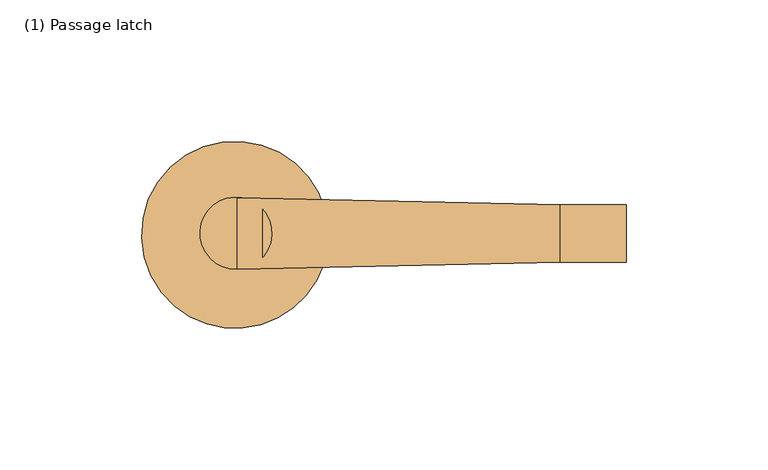
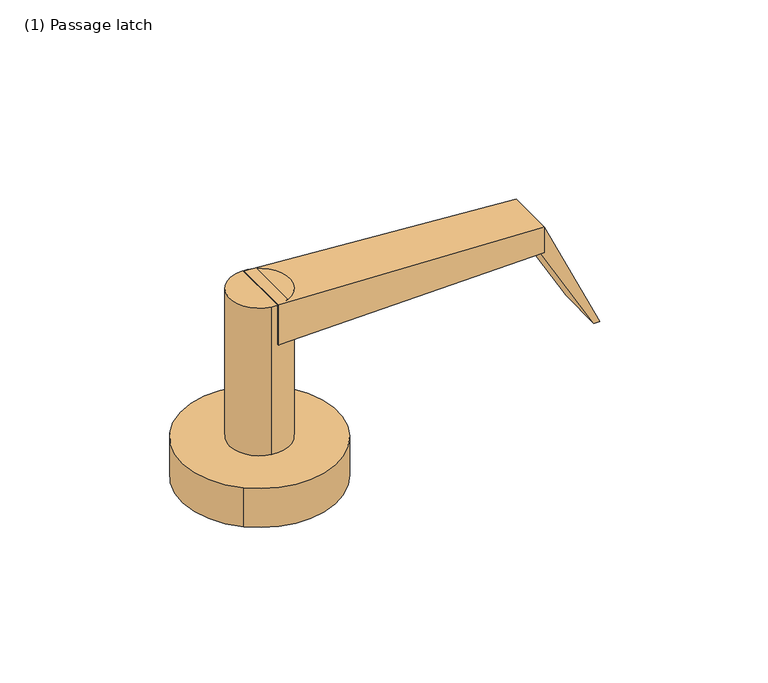
"""IFC4 building model written with IfcOpenShell, lengths in millimetres: door geometry, (1) Passage latch."""

import ifcopenshell
import ifcopenshell.guid

model = None  # the IFC model being written
_history = None  # IfcOwnerHistory: only IFC2X3 demands one
_inside = {}  # id of a spatial element -> (the spatial element, [elements in it])
_under = {}  # id of a project, library or spatial element -> (it, [spatial elements below it])
_declared = {}  # id of a project -> (the project, [libraries it declares])
_typed = {}  # id of a type object -> (the type object, [elements of that type])
_made_of = {}  # id of a material, layer set ... -> (it, [elements and type objects made of it])


def new_model(schema):
    """Start an empty IFC model of exactly this schema.

    Asked for "IFC4X3", IfcOpenShell would pick the latest addendum, in which some entities
    have other attributes; the version numbers below select the first issue.
    IFC2X3 requires an IfcOwnerHistory on every rooted entity: one is made here for all.
    """
    global model, _history
    if schema == "IFC4X3":
        model = ifcopenshell.file(schema_version=(4, 3, 0, 0))
    else:
        model = ifcopenshell.file(schema=schema)
    _inside.clear()
    _under.clear()
    _declared.clear()
    _typed.clear()
    _made_of.clear()
    _history = None
    if model.schema == "IFC2X3":
        org = make("IfcOrganization", Name="unknown")
        user = make(
            "IfcPersonAndOrganization",
            ThePerson=make("IfcPerson", FamilyName="unknown"),
            TheOrganization=org,
        )
        app = make(
            "IfcApplication",
            ApplicationDeveloper=org,
            Version="unknown",
            ApplicationFullName="unknown",
            ApplicationIdentifier="unknown",
        )
        _history = make(
            "IfcOwnerHistory",
            OwningUser=user,
            OwningApplication=app,
            ChangeAction="ADDED",
            CreationDate=0,
        )
    return model


def make(cls, **values):
    """One entity of the class cls with the attributes given. An attribute that is None is left unset."""
    return model.create_entity(
        cls, **{name: value for name, value in values.items() if value is not None}
    )


def rooted(cls, **values):
    """An entity with a GlobalId (a new one), such as an element, a storey or a relation."""
    return make(cls, GlobalId=ifcopenshell.guid.new(), OwnerHistory=_history, **values)


def si_unit(unit_type, name, prefix=None):
    """IfcSIUnit, for example si_unit("LENGTHUNIT", "METRE", prefix="MILLI")."""
    return make("IfcSIUnit", UnitType=unit_type, Prefix=prefix, Name=name)


def assignment(units):
    """IfcUnitAssignment: the units of a project."""
    return None if units is None else make("IfcUnitAssignment", Units=units)


def point(xyz):
    """IfcCartesianPoint."""
    return None if xyz is None else make("IfcCartesianPoint", Coordinates=xyz)


def direction(xyz):
    """IfcDirection."""
    return None if xyz is None else make("IfcDirection", DirectionRatios=xyz)


def frame(location, z_axis=None, x_axis=None):
    """IfcAxis2Placement3D, a coordinate frame: its origin and axes. An axis left out is left unset."""
    return make(
        "IfcAxis2Placement3D",
        Location=point(location),
        Axis=direction(z_axis),
        RefDirection=direction(x_axis),
    )


def frame_2d(location, x_axis=None):
    """IfcAxis2Placement2D, a coordinate frame in the plane: its origin and x axis."""
    return make(
        "IfcAxis2Placement2D", Location=point(location), RefDirection=direction(x_axis)
    )


def origin():
    """The frame at (0, 0, 0) with its axes left unset."""
    return frame((0.0, 0.0, 0.0))


def origin_with_axes():
    """The frame at (0, 0, 0) with the z axis (0, 0, 1) and the x axis (1, 0, 0) written out."""
    return frame((0.0, 0.0, 0.0), z_axis=(0.0, 0.0, 1.0), x_axis=(1.0, 0.0, 0.0))


def place(relative_to, where):
    """IfcLocalPlacement: puts the frame where relative to a parent placement (None: the world)."""
    return make(
        "IfcLocalPlacement", PlacementRelTo=relative_to, RelativePlacement=where
    )


def context(
    kind, dimensions, precision=None, world=None, true_north=None, identifier=None
):
    """IfcGeometricRepresentationContext, for example the 3D "Model" context."""
    return make(
        "IfcGeometricRepresentationContext",
        ContextIdentifier=identifier,
        ContextType=kind,
        CoordinateSpaceDimension=dimensions,
        Precision=precision,
        WorldCoordinateSystem=world,
        TrueNorth=true_north,
    )


def project(units=None, contexts=None):
    """IfcProject with its units and contexts."""
    return rooted(
        "IfcProject",
        Name="project",
        RepresentationContexts=contexts,
        UnitsInContext=assignment(units),
    )


def spatial(cls, under=None, at=None, **own):
    """A site, building, storey or space (cls), placed at a placement, below another one or the project."""
    s = rooted(cls, ObjectPlacement=at, **own)
    if under is not None:
        _under.setdefault(under.id(), (under, []))[1].append(s)
    return s


def polyline(points):
    """IfcPolyline through the points."""
    return make("IfcPolyline", Points=[point(p) for p in points])


def circle_curve(where, radius):
    """IfcCircle in the frame where."""
    return make("IfcCircle", Position=where, Radius=radius)


def trimmed(basis, trim1, trim2, sense, master):
    """IfcTrimmedCurve: the piece of a basis curve between two trims."""
    return make(
        "IfcTrimmedCurve",
        BasisCurve=basis,
        Trim1=trim1,
        Trim2=trim2,
        SenseAgreement=sense,
        MasterRepresentation=master,
    )


def segment(curve, same_sense, transition):
    """IfcCompositeCurveSegment."""
    return make(
        "IfcCompositeCurveSegment",
        Transition=transition,
        SameSense=same_sense,
        ParentCurve=curve,
    )


def composite_curve(segments, self_intersect=None):
    """IfcCompositeCurve: segments joined end to end."""
    return make("IfcCompositeCurve", Segments=segments, SelfIntersect=self_intersect)


def outline(outer, holes=None, kind="AREA"):
    """IfcArbitraryClosedProfileDef: a profile drawn as a closed curve; with holes, ...WithVoids."""
    if holes is None:
        return make("IfcArbitraryClosedProfileDef", ProfileType=kind, OuterCurve=outer)
    return make(
        "IfcArbitraryProfileDefWithVoids",
        ProfileType=kind,
        OuterCurve=outer,
        InnerCurves=holes,
    )


def extrude(swept, where, along, depth):
    """IfcExtrudedAreaSolid: the profile swept, set in the frame where, extruded along a direction by depth."""
    return make(
        "IfcExtrudedAreaSolid",
        SweptArea=swept,
        Position=where,
        ExtrudedDirection=direction(along),
        Depth=depth,
    )


def shape(context_of_items, identifier, shape_type, items):
    """IfcShapeRepresentation: the items that make up one representation, for example the "Body"."""
    return make(
        "IfcShapeRepresentation",
        ContextOfItems=context_of_items,
        RepresentationIdentifier=identifier,
        RepresentationType=shape_type,
        Items=items,
    )


def source(mapping_origin, context_of_items, identifier, shape_type, items):
    """IfcRepresentationMap: a shape defined once, which mapped items show again and again."""
    return make(
        "IfcRepresentationMap",
        MappingOrigin=mapping_origin,
        MappedRepresentation=shape(context_of_items, identifier, shape_type, items),
    )


def transform(
    local_origin,
    x_axis=None,
    y_axis=None,
    z_axis=None,
    scale=None,
    scale2=None,
    scale3=None,
    uniform=True,
):
    """IfcCartesianTransformationOperator3D, or its non-uniform kind. x_axis, y_axis, z_axis: its Axis1, 2, 3."""
    if uniform:
        return make(
            "IfcCartesianTransformationOperator3D",
            Axis1=direction(x_axis),
            Axis2=direction(y_axis),
            LocalOrigin=point(local_origin),
            Scale=scale,
            Axis3=direction(z_axis),
        )
    return make(
        "IfcCartesianTransformationOperator3DnonUniform",
        Axis1=direction(x_axis),
        Axis2=direction(y_axis),
        LocalOrigin=point(local_origin),
        Scale=scale,
        Axis3=direction(z_axis),
        Scale2=scale2,
        Scale3=scale3,
    )


def mapped(mapping_source, mapping_target):
    """IfcMappedItem: shows the shape of a source again, moved by a transform."""
    return make(
        "IfcMappedItem", MappingSource=mapping_source, MappingTarget=mapping_target
    )


def made_of(thing, what):
    """Note that an element or type object is made of a material, layer set ...; save() writes the relation."""
    if what is not None:
        _made_of.setdefault(what.id(), (what, []))[1].append(thing)
    return thing


def element(
    cls,
    number,
    at=None,
    inside=None,
    cuts=None,
    type_object=None,
    material=None,
    context=None,
    identifier="Body",
    shape_type=None,
    held_by="IfcProductDefinitionShape",
    body=None,
    shapes=None,
    **own,
):
    """One element of the class cls, such as IfcWall. Its Tag is "e" and its number.

    at: its placement. inside: the storey or other place that contains it. cuts: it is an
    opening in that element (IfcRelVoidsElement). A single representation is given by context,
    identifier, shape_type and body (its items); several are given by shapes. held_by: the class
    of the entity that holds the representations. save() writes the other relations.
    """
    e = rooted(cls, Tag="e%d" % number, ObjectPlacement=at, **own)
    if body is not None:
        shapes = [shape(context, identifier, shape_type, body)]
    if shapes is not None:
        e.Representation = make(held_by, Representations=shapes)
    if inside is not None:
        _inside.setdefault(inside.id(), (inside, []))[1].append(e)
    if cuts is not None:
        rooted(
            "IfcRelVoidsElement", RelatingBuildingElement=cuts, RelatedOpeningElement=e
        )
    if type_object is not None:
        _typed.setdefault(type_object.id(), (type_object, []))[1].append(e)
    return made_of(e, material)


def aggregate(whole, parts):
    """IfcRelAggregates: a whole, such as a stair, and the parts it consists of."""
    return rooted("IfcRelAggregates", RelatingObject=whole, RelatedObjects=parts)


def save(model, path):
    """Write the relations noted so far, then the file.

    IfcRelAggregates (storeys below a building ...), IfcRelContainedInSpatialStructure (elements
    in a storey), IfcRelDefinesByType, IfcRelAssociatesMaterial and IfcRelDeclares: one each for
    every whole, place, type object, material and project.
    """
    for whole, parts in _under.values():
        aggregate(whole, parts)
    for where, things in _inside.values():
        rooted(
            "IfcRelContainedInSpatialStructure",
            RelatedElements=things,
            RelatingStructure=where,
        )
    for kind, things in _typed.values():
        rooted("IfcRelDefinesByType", RelatedObjects=things, RelatingType=kind)
    for what, things in _made_of.values():
        rooted("IfcRelAssociatesMaterial", RelatedObjects=things, RelatingMaterial=what)
    for by, libraries in _declared.values():
        rooted("IfcRelDeclares", RelatingContext=by, RelatedDefinitions=libraries)
    model.write(path)


def plane_surface(at):
    """IfcPlane: the flat surface through the origin of the frame at, square to its z axis."""
    return make("IfcPlane", Position=at)


def spline_surface(u_degree, v_degree, points, u_multiplicities, v_multiplicities, u_knots, v_knots, weights=None):
    """IfcBSplineSurfaceWithKnots; with weights, IfcRationalBSplineSurfaceWithKnots. points: one row for each step in u."""
    own = dict(
        UDegree=u_degree,
        VDegree=v_degree,
        ControlPointsList=[[point(p) for p in row] for row in points],
        SurfaceForm="UNSPECIFIED",
        UClosed=False,
        VClosed=False,
        SelfIntersect=False,
        UMultiplicities=u_multiplicities,
        VMultiplicities=v_multiplicities,
        UKnots=u_knots,
        VKnots=v_knots,
        KnotSpec="UNSPECIFIED",
    )
    if weights is None:
        return make("IfcBSplineSurfaceWithKnots", **own)
    return make("IfcRationalBSplineSurfaceWithKnots", WeightsData=weights, **own)


def advanced_brep(points, edges, surfaces, faces):
    """IfcAdvancedBrep: a solid bounded by faces that lie on surfaces and meet in shared edges.

    An edge is (start, end): straight between two places in points (the first is 0);
    or (start, end, curve); or (start, end, curve, False) where it runs against its curve.
    A face is (place in surfaces, loops), or (place, loops, False) where it looks against
    its surface's normal. A loop lists edges by number (the first is 1), with a minus sign
    where the edge is run from its end to its start. The first loop is the outer one.
    """
    corners = [point(p) for p in points]
    vertices = [make("IfcVertexPoint", VertexGeometry=c) for c in corners]
    made = []
    for start, end, *more in edges:
        made.append(
            make(
                "IfcEdgeCurve",
                EdgeStart=vertices[start],
                EdgeEnd=vertices[end],
                EdgeGeometry=more[0] if more else make("IfcPolyline", Points=[corners[start], corners[end]]),
                SameSense=more[1] if len(more) > 1 else True,
            )
        )
    hull = []
    for where, loops, *sense in faces:
        bounds = []
        for j, loop in enumerate(loops):
            ring = [make("IfcOrientedEdge", EdgeElement=made[abs(k) - 1], Orientation=k > 0) for k in loop]
            bounds.append(
                make(
                    "IfcFaceOuterBound" if j == 0 else "IfcFaceBound",
                    Bound=make("IfcEdgeLoop", EdgeList=ring),
                    Orientation=True,
                )
            )
        hull.append(make("IfcAdvancedFace", Bounds=bounds, FaceSurface=surfaces[where], SameSense=sense[0] if sense else True))
    return make("IfcAdvancedBrep", Outer=make("IfcClosedShell", CfsFaces=hull))


def door_1_passage_latch_510094a5(model_context):
    return source(origin(), model_context, "Body", "SolidModel", [
        advanced_brep(
        [(113.0826159, 9.8661661, 77.089), (113.0826159, -10.4783486, 77.089), (113.0826159, -10.4783486, 65.659), (113.0826159, 9.8661661, 65.659), (-0.79375, 12.3783123, 83.439), (-0.79375, 12.378509, 65.659), (-0.79375, -13.0089229, 65.659), (-0.79375, -13.0118705, 83.439)],
        [
            (0, 1),
            (1, 2),
            (2, 3),
            (3, 0),
            (4, 5),
            (5, 6),
            (6, 7),
            (7, 4),
            (4, 0),
            (3, 5),
            (2, 6),
            (1, 7),
        ],
        [
            plane_surface(frame((113.0826159, -0.3060912, 71.374), z_axis=(1.0, 0.0, 0.0), x_axis=(0.0, 1.0, 0.0))),
            plane_surface(frame((-0.79375, -0.315993, 74.549), z_axis=(-1.0000000000000002, 0.0, 0.0), x_axis=(0.0, 1.1064247386625775e-05, -0.9999999999387913))),
            spline_surface(1, 1, [[(-0.79375, 12.3783123, 83.439), (-0.79375, 12.378509, 65.659)], [(113.0826159, 9.8661661, 77.089), (113.0826159, 9.8661661, 65.659)]], [2, 2], [2, 2], [0.0, 1.0], [0.0, 1.0]),
            plane_surface(frame((-0.79375, -0.315207, 65.659), z_axis=(0.0, 0.0, -1.0), x_axis=(0.0, -1.0, 0.0))),
            spline_surface(1, 1, [[(-0.79375, -13.0089229, 65.659), (-0.79375, -13.0118705, 83.439)], [(113.0826159, -10.4783486, 65.659), (113.0826159, -10.4783486, 77.089)]], [2, 2], [2, 2], [0.0, 1.0], [0.0, 1.0]),
            plane_surface(frame((-0.79375, -0.3167791, 83.439), z_axis=(0.05567573642750613, 0.0, 0.9984489032360419), x_axis=(0.0, 1.0, 0.0))),
        ],
        [
            (0, [[1, 2, 3, 4]]),
            (1, [[5, 6, 7, 8]]),
            (2, [[9, -4, 10, -5]]),
            (3, [[-10, -3, 11, -6]]),
            (4, [[-11, -2, 12, -7]]),
            (5, [[-12, -1, -9, -8]]),
        ],
    ),
        extrude(outline(composite_curve([segment(trimmed(circle_curve(frame_2d((-1.3064074, -0.1984375)), 12.7), [point((-3.427265, -12.7200973))], [point((0.8144502, 12.3232223))], False, "CARTESIAN"), True, "CONTINUOUS"), segment(trimmed(circle_curve(frame_2d((-1.3064074, -0.1984375)), 12.7), [point((0.8144502, 12.3232223))], [point((-3.427265, -12.7200973))], False, "CARTESIAN"), True, "CONTINUOUS")], self_intersect=False)), frame((0.0, 0.0, 17.399), z_axis=(0.0, 0.0, 1.0), x_axis=(1.0, 0.0, 0.0)), (0.0, 0.0, 1.0), 66.04),
        extrude(outline(composite_curve([segment(trimmed(circle_curve(frame_2d((-1.6178614, -0.7745191)), 33.02), [point((-22.9508261, -25.9781898))], [point((19.7151032, 24.4291516))], False, "CARTESIAN"), True, "CONTINUOUS"), segment(trimmed(circle_curve(frame_2d((-1.6178614, -0.7745191)), 33.02), [point((19.7151032, 24.4291516))], [point((-22.9508261, -25.9781898))], False, "CARTESIAN"), True, "CONTINUOUS")], self_intersect=False)), origin_with_axes(), (0.0, 0.0, 1.0), 17.399),
        extrude(outline(polyline([(77.089, 113.0826159), (65.659, 113.0826159), (65.659, 111.7545147), (26.5862634, 134.0924288), (26.5862634, 136.6324288), (77.089, 113.0826159)])), frame((0.0, -10.4783486, 0.0), z_axis=(0.0, 1.0, 0.0), x_axis=(0.0, 0.0, 1.0)), (0.0, 0.0, 1.0), 20.32),
    ])


if __name__ == "__main__":
    model = new_model("IFC4")
    model_context = context("Model", 3, world=origin())
    ifc_project = project(units=[si_unit("LENGTHUNIT", "METRE", prefix="MILLI")], contexts=[model_context])
    site = spatial("IfcSite", under=ifc_project)
    building = spatial("IfcBuilding", under=site)
    placement = place(None, origin())
    door_1_passage_latch_shape = door_1_passage_latch_510094a5(model_context)
    element("IfcDoor", 1, ObjectType="(1) Passage latch", at=placement, inside=building, context=model_context, shape_type="MappedRepresentation", body=[
        mapped(door_1_passage_latch_shape, transform((0.0, 0.0, 0.0), x_axis=(1.0, 0.0, 0.0), y_axis=(0.0, 1.0, 0.0), z_axis=(0.0, 0.0, 1.0))),
    ])
    save(model, "model.ifc")
